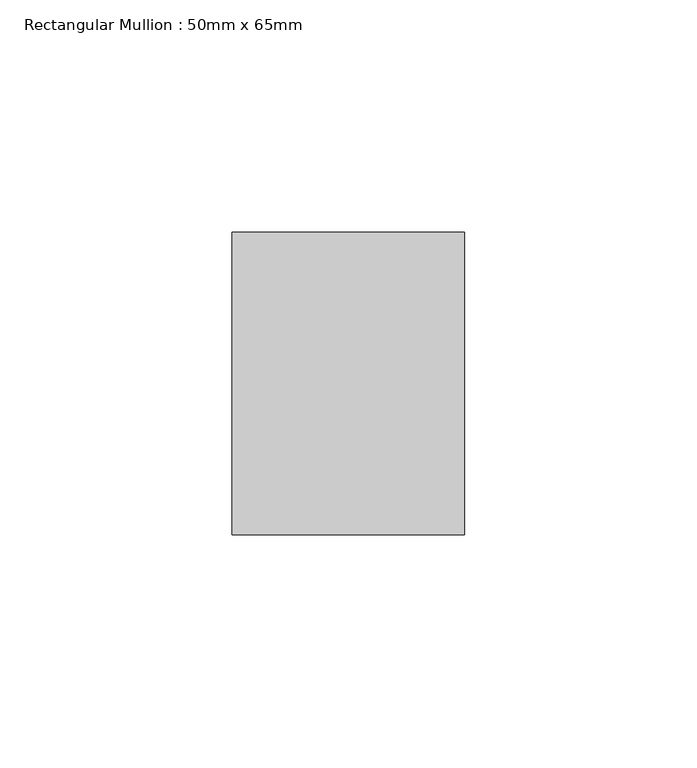
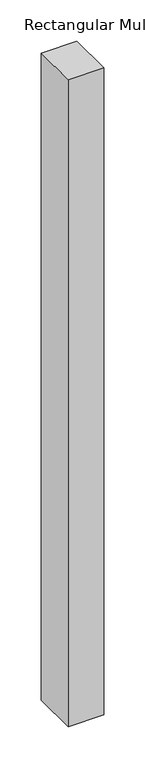
"""IFC4 building model written with IfcOpenShell, lengths in millimetres: member geometry, Rectangular Mullion : 50mm x 65mm."""

from ifc_helpers import new_model, si_unit, frame, origin, place, context, project, spatial, polyline, outline, extrude, source, transform, mapped, element, save


def rectangular_mullion_50mm_x_65mm_49d39340(model_context):
    return source(origin(), model_context, "Body", "SweptSolid", [
        extrude(outline(polyline([(25.0, 32.5), (25.0, -32.5), (-25.0, -32.5), (-25.0, 32.5), (25.0, 32.5)])), frame((0.0, 0.0, -957.7638698), z_axis=(0.0, 0.0, 1.0), x_axis=(1.0, 0.0, 0.0)), (0.0, 0.0, 1.0), 957.7638698),
    ])


if __name__ == "__main__":
    model = new_model("IFC4")
    model_context = context("Model", 3, world=origin())
    ifc_project = project(units=[si_unit("LENGTHUNIT", "METRE", prefix="MILLI")], contexts=[model_context])
    site = spatial("IfcSite", under=ifc_project)
    building = spatial("IfcBuilding", under=site)
    placement = place(None, origin())
    rectangular_mullion_50mm_x_65mm_shape = rectangular_mullion_50mm_x_65mm_49d39340(model_context)
    element("IfcMember", 1, ObjectType="Rectangular Mullion : 50mm x 65mm", at=placement, inside=building, context=model_context, shape_type="MappedRepresentation", body=[
        mapped(rectangular_mullion_50mm_x_65mm_shape, transform((0.0, 0.0, 0.0), x_axis=(1.0, 0.0, 0.0), y_axis=(0.0, 1.0, 0.0), z_axis=(0.0, 0.0, 1.0))),
    ])
    save(model, "model.ifc")
